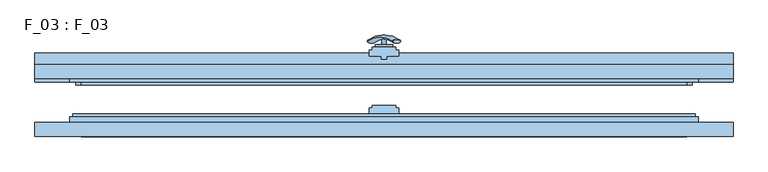
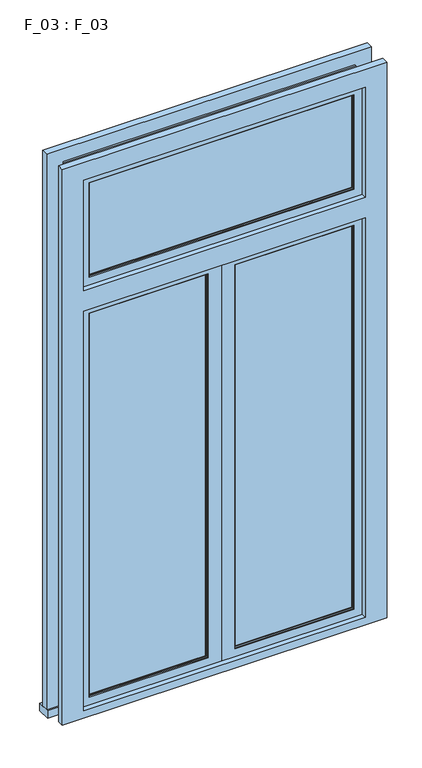
"""IFC4 building model written with IfcOpenShell, lengths in millimetres: window geometry, F_03 : F_03."""

from ifc_helpers import new_model, si_unit, point, frame, frame_2d, origin, place, context, project, spatial, polyline, circle_curve, ellipse_curve, trimmed, segment, composite_curve, outline, extrude, faceted_brep, source, transform, mapped, element, save
from ifc_brep_helpers import plane_surface, revolved_surface, advanced_brep


def f_03_f_03_1596fac0(model_context):
    return source(origin(), model_context, "Body", "SolidModel", [
        advanced_brep(
        [(-28.5497704, 90.2287724, 1613.0503471), (-14.693364, 90.2287724, 1605.0503471), (14.693364, 90.2287724, 1687.9496529), (28.5497704, 90.2287724, 1679.9496529)],
        [
            (0, 1, ellipse_curve(frame((-21.6215672, 90.2287724, 1609.0503471), z_axis=(-0.46984631039295827, -0.3420201433256777, -0.8137976813493676), x_axis=(0.8660254037844349, 0.0, -0.5000000000000066)), 8.0, 3.5)),
            (1, 0, ellipse_curve(frame((-21.6215672, 90.2287724, 1609.0503471), z_axis=(-0.46984631039295827, -0.3420201433256777, -0.8137976813493676), x_axis=(0.8660254037844349, 0.0, -0.5000000000000066)), 8.0, 3.5)),
            (2, 3, ellipse_curve(frame((21.6215672, 90.2287724, 1683.9496529), z_axis=(0.46984631039296154, -0.3420201433256599, 0.8137976813493732), x_axis=(0.8660254037844355, 0.0, -0.5000000000000056)), 8.0, 3.5)),
            (3, 2, ellipse_curve(frame((21.6215672, 90.2287724, 1683.9496529), z_axis=(0.46984631039296154, -0.3420201433256599, 0.8137976813493732), x_axis=(0.8660254037844355, 0.0, -0.5000000000000056)), 8.0, 3.5)),
            (2, 0, circle_curve(frame((-6.9282032, -28.580763, 1650.5), z_axis=(-0.8660254037844353, 0.0, 0.500000000000006), x_axis=(-0.1710100716628409, 0.9396926207859051, -0.29619813272603046)), 126.4344667)),
            (1, 3, circle_curve(frame((6.9282032, -28.580763, 1642.5), z_axis=(0.8660254037844353, 0.0, -0.500000000000006), x_axis=(-0.1710100716628409, 0.9396926207859051, -0.29619813272603046)), 126.4344667)),
        ],
        [
            plane_surface(frame((40.0926994, 87.5471681, 1574.5466142), z_axis=(-0.4698463103929582, -0.34202014332567776, -0.8137976813493677), x_axis=(-0.8660254037844352, 0.0, 0.500000000000006))),
            plane_surface(frame((82.3598097, 87.5471681, 1647.7553967), z_axis=(0.4698463103929615, -0.34202014332565983, 0.8137976813493734), x_axis=(-0.8660254037844352, 0.0, 0.500000000000006))),
            revolved_surface(trimmed(ellipse_curve(frame((-21.6215672, 90.2287724, 1609.0503471), z_axis=(0.46984631039295827, 0.3420201433256777, 0.8137976813493676), x_axis=(0.8660254037844349, 0.0, -0.5000000000000066)), 8.0, 3.5), [point((-28.5497704, 90.2287724, 1613.0503471))], [point((-14.693364, 90.2287724, 1605.0503471))], True, "CARTESIAN"), (61.2262546, -28.580763, 1611.1510055), (-0.8660254037844353, 0.0, 0.500000000000006)),
            revolved_surface(trimmed(ellipse_curve(frame((-21.6215672, 90.2287724, 1609.0503471), z_axis=(0.46984631039295827, 0.3420201433256777, 0.8137976813493676), x_axis=(0.8660254037844349, 0.0, -0.5000000000000066)), 8.0, 3.5), [point((-14.693364, 90.2287724, 1605.0503471))], [point((-28.5497704, 90.2287724, 1613.0503471))], True, "CARTESIAN"), (61.2262546, -28.580763, 1611.1510055), (-0.8660254037844353, 0.0, 0.500000000000006)),
        ],
        [
            (0, [[1, 2]]),
            (1, [[3, 4]]),
            (2, [[-3, 5, -2, 6]]),
            (3, [[-4, -6, -1, -5]]),
        ],
    ),
        extrude(outline(composite_curve([segment(trimmed(circle_curve(frame_2d((1646.5, 0.0)), 3.5), [point((1646.5, -3.5))], [point((1646.5, 3.5))], False, "CARTESIAN"), True, "CONTINUOUS"), segment(trimmed(circle_curve(frame_2d((1646.5, 0.0)), 3.5), [point((1646.5, 3.5))], [point((1646.5, -3.5))], False, "CARTESIAN"), True, "CONTINUOUS")], self_intersect=False)), frame((0.0, 85.0, 0.0), z_axis=(0.0, 1.0, 0.0), x_axis=(0.0, 0.0, 1.0)), (0.0, 0.0, 1.0), 10.0),
        extrude(outline(composite_curve([segment(polyline([(1710.8020109, -15.0), (1580.8020109, -15.0)]), True, "CONTINUOUS"), segment(trimmed(circle_curve(frame_2d((1580.8020109, 0.0)), 15.0), [point((1580.8020109, -15.0))], [point((1580.8020109, 15.0))], False, "CARTESIAN"), True, "CONTINUOUS"), segment(polyline([(1580.8020109, 15.0), (1710.8020109, 15.0)]), True, "CONTINUOUS"), segment(trimmed(circle_curve(frame_2d((1710.8020109, 0.0)), 15.0), [point((1710.8020109, 15.0))], [point((1710.8020109, -15.0))], False, "CARTESIAN"), True, "CONTINUOUS")], self_intersect=False)), frame((0.0, 80.0, 0.0), z_axis=(0.0, 1.0, 0.0), x_axis=(0.0, 0.0, 1.0)), (0.0, 0.0, 1.0), 5.0),
        extrude(outline(polyline([(485.0, -43.0), (485.0, -47.0), (-485.0, -47.0), (-485.0, -43.0), (485.0, -43.0)])), frame((0.0, 0.0, 2545.0), z_axis=(0.0, 0.0, 1.0), x_axis=(1.0, 0.0, 0.0)), (0.0, 0.0, 1.0), 360.0),
        faceted_brep([(-490.0, -50.0, 2910.0), (490.0, -50.0, 2910.0), (490.0, -55.0, 2910.0), (-490.0, -55.0, 2910.0), (490.0, -50.0, 2540.0), (490.0, -55.0, 2540.0), (520.0, -55.0, 2510.0), (520.0, -55.0, 2940.0), (-520.0, -55.0, 2940.0), (-520.0, -55.0, 2510.0), (-490.0, -55.0, 2540.0), (-490.0, -50.0, 2540.0), (485.0, -50.0, 2905.0), (485.0, -50.0, 2545.0), (-485.0, -50.0, 2545.0), (-485.0, -50.0, 2905.0), (-485.0, -40.0, 2905.0), (485.0, -40.0, 2905.0), (485.0, -40.0, 2545.0), (490.0, -40.0, 2910.0), (490.0, -40.0, 2540.0), (-490.0, -40.0, 2540.0), (-490.0, -40.0, 2910.0), (-485.0, -40.0, 2545.0), (-490.0, -35.0, 2910.0), (490.0, -35.0, 2910.0), (490.0, -35.0, 2540.0), (535.0, -35.0, 2955.0), (535.0, -35.0, 2495.0), (-535.0, -35.0, 2495.0), (-535.0, -35.0, 2955.0), (-490.0, -35.0, 2540.0), (-540.0, -50.0, 2960.0), (540.0, -50.0, 2960.0), (540.0, -40.0, 2960.0), (-540.0, -40.0, 2960.0), (540.0, -50.0, 2490.0), (540.0, -40.0, 2490.0), (-540.0, -40.0, 2490.0), (535.0, -40.0, 2495.0), (535.0, -40.0, 2955.0), (-535.0, -40.0, 2955.0), (-535.0, -40.0, 2495.0), (-540.0, -50.0, 2490.0), (520.0, -50.0, 2940.0), (520.0, -50.0, 2510.0), (-520.0, -50.0, 2510.0), (-520.0, -50.0, 2940.0)], [[[0, 1, 2, 3]], [[1, 4, 5, 2]], [[6, 7, 8, 9], [2, 5, 10, 3]], [[4, 1, 0, 11], [12, 13, 14, 15]], [[16, 17, 12, 15]], [[17, 18, 13, 12]], [[19, 20, 21, 22], [18, 17, 16, 23]], [[24, 25, 19, 22]], [[25, 26, 20, 19]], [[27, 28, 29, 30], [26, 25, 24, 31]], [[32, 33, 34, 35]], [[33, 36, 37, 34]], [[34, 37, 38, 35], [39, 40, 41, 42]], [[36, 33, 32, 43], [44, 45, 46, 47]], [[8, 7, 44, 47]], [[7, 6, 45, 44]], [[11, 0, 3, 10]], [[23, 16, 15, 14]], [[31, 24, 22, 21]], [[43, 32, 35, 38]], [[9, 8, 47, 46]], [[41, 40, 27, 30]], [[42, 41, 30, 29]], [[40, 39, 28, 27]], [[4, 11, 10, 5]], [[18, 23, 14, 13]], [[26, 31, 21, 20]], [[36, 43, 38, 37]], [[6, 9, 46, 45]], [[39, 42, 29, 28]]]),
        extrude(outline(polyline([(485.0, 27.0), (485.0, 23.0), (-485.0, 23.0), (-485.0, 27.0), (485.0, 27.0)])), frame((0.0, 0.0, 2545.0), z_axis=(0.0, 0.0, 1.0), x_axis=(1.0, 0.0, 0.0)), (0.0, 0.0, 1.0), 360.0),
        faceted_brep([(-490.0, 20.0, 2910.0), (490.0, 20.0, 2910.0), (490.0, 15.0, 2910.0), (-490.0, 15.0, 2910.0), (490.0, 20.0, 2540.0), (490.0, 15.0, 2540.0), (520.0, 15.0, 2510.0), (520.0, 15.0, 2940.0), (-520.0, 15.0, 2940.0), (-520.0, 15.0, 2510.0), (-490.0, 15.0, 2540.0), (-490.0, 20.0, 2540.0), (485.0, 20.0, 2905.0), (485.0, 20.0, 2545.0), (-485.0, 20.0, 2545.0), (-485.0, 20.0, 2905.0), (-485.0, 30.0, 2905.0), (485.0, 30.0, 2905.0), (485.0, 30.0, 2545.0), (490.0, 30.0, 2910.0), (490.0, 30.0, 2540.0), (-490.0, 30.0, 2540.0), (-490.0, 30.0, 2910.0), (-485.0, 30.0, 2545.0), (-490.0, 35.0, 2910.0), (490.0, 35.0, 2910.0), (490.0, 35.0, 2540.0), (535.0, 35.0, 2955.0), (535.0, 35.0, 2495.0), (-535.0, 35.0, 2495.0), (-535.0, 35.0, 2955.0), (-490.0, 35.0, 2540.0), (-540.0, 20.0, 2960.0), (540.0, 20.0, 2960.0), (540.0, 30.0, 2960.0), (-540.0, 30.0, 2960.0), (540.0, 20.0, 2490.0), (540.0, 30.0, 2490.0), (-540.0, 30.0, 2490.0), (535.0, 30.0, 2495.0), (535.0, 30.0, 2955.0), (-535.0, 30.0, 2955.0), (-535.0, 30.0, 2495.0), (-540.0, 20.0, 2490.0), (520.0, 20.0, 2940.0), (520.0, 20.0, 2510.0), (-520.0, 20.0, 2510.0), (-520.0, 20.0, 2940.0)], [[[0, 1, 2, 3]], [[1, 4, 5, 2]], [[6, 7, 8, 9], [2, 5, 10, 3]], [[4, 1, 0, 11], [12, 13, 14, 15]], [[16, 17, 12, 15]], [[17, 18, 13, 12]], [[19, 20, 21, 22], [18, 17, 16, 23]], [[24, 25, 19, 22]], [[25, 26, 20, 19]], [[27, 28, 29, 30], [26, 25, 24, 31]], [[32, 33, 34, 35]], [[33, 36, 37, 34]], [[34, 37, 38, 35], [39, 40, 41, 42]], [[36, 33, 32, 43], [44, 45, 46, 47]], [[8, 7, 44, 47]], [[7, 6, 45, 44]], [[11, 0, 3, 10]], [[23, 16, 15, 14]], [[31, 24, 22, 21]], [[43, 32, 35, 38]], [[9, 8, 47, 46]], [[41, 40, 27, 30]], [[42, 41, 30, 29]], [[40, 39, 28, 27]], [[4, 11, 10, 5]], [[18, 23, 14, 13]], [[26, 31, 21, 20]], [[36, 43, 38, 37]], [[6, 9, 46, 45]], [[39, 42, 29, 28]]]),
        extrude(outline(polyline([(600.0, 70.0), (600.0, 20.0), (-600.0, 20.0), (-600.0, 70.0), (600.0, 70.0)])), frame((0.0, 0.0, 810.0), z_axis=(0.0, 0.0, 1.0), x_axis=(1.0, 0.0, 0.0)), (0.0, 0.0, 1.0), 30.0),
        faceted_brep([(-600.0, 26.0, 840.0), (-530.0, 26.0, 840.0), (-530.0, 26.0, 810.0), (530.0, 26.0, 810.0), (530.0, 26.0, 840.0), (600.0, 26.0, 840.0), (600.0, 26.0, 3010.0), (-600.0, 26.0, 3010.0), (-520.0, 26.0, 2940.0), (520.0, 26.0, 2940.0), (520.0, 26.0, 2510.0), (-520.0, 26.0, 2510.0), (-520.0, 26.0, 2430.0), (520.0, 26.0, 2430.0), (520.0, 26.0, 870.0), (-520.0, 26.0, 870.0), (600.0, 50.0, 840.0), (600.0, 50.0, 3010.0), (530.0, 45.0, 840.0), (530.0, 50.0, 840.0), (530.0, 50.0, 810.0), (-530.0, 50.0, 810.0), (-530.0, 45.0, 840.0), (-530.0, 50.0, 840.0), (-520.0, 45.0, 870.0), (520.0, 45.0, 870.0), (520.0, 45.0, 2430.0), (520.0, 45.0, 2940.0), (520.0, 45.0, 2510.0), (530.0, 45.0, 2440.0), (530.0, 45.0, 860.0), (-530.0, 45.0, 860.0), (-530.0, 45.0, 2440.0), (-520.0, 45.0, 2430.0), (-530.0, 45.0, 2950.0), (530.0, 45.0, 2950.0), (530.0, 45.0, 2500.0), (-530.0, 45.0, 2500.0), (-520.0, 45.0, 2510.0), (-520.0, 45.0, 2940.0), (-530.0, 50.0, 860.0), (530.0, 50.0, 860.0), (530.0, 50.0, 2500.0), (530.0, 50.0, 2950.0), (530.0, 50.0, 2440.0), (-600.0, 50.0, 840.0), (-600.0, 50.0, 3010.0), (-530.0, 50.0, 2440.0), (-530.0, 50.0, 2950.0), (-530.0, 50.0, 2500.0)], [[[0, 1, 2, 3, 4, 5, 6, 7], [8, 9, 10, 11], [12, 13, 14, 15]], [[6, 5, 16, 17]], [[5, 4, 18, 19, 16]], [[20, 19, 18, 4, 3]], [[21, 20, 3, 2]], [[2, 1, 22, 23, 21]], [[24, 15, 14, 25]], [[26, 25, 14, 13]], [[9, 27, 28, 10]], [[29, 30, 31, 32], [33, 24, 25, 26]], [[34, 35, 36, 37], [38, 28, 27, 39]], [[40, 31, 30, 41]], [[42, 36, 35, 43]], [[44, 41, 30, 29]], [[45, 46, 17, 16, 19, 20, 21, 23], [44, 47, 40, 41], [48, 49, 42, 43]], [[23, 22, 1, 0, 45]], [[12, 15, 24, 33]], [[8, 11, 38, 39]], [[31, 40, 47, 32]], [[34, 37, 49, 48]], [[46, 45, 0, 7]], [[39, 27, 9, 8]], [[43, 35, 34, 48]], [[7, 6, 17, 46]], [[33, 26, 13, 12]], [[44, 29, 32, 47]], [[49, 37, 36, 42]], [[11, 10, 28, 38]]]),
        faceted_brep([(-0.5, -55.0, 850.0), (-10.0, -55.0, 850.0), (-10.0, -50.0, 850.0), (-540.0, -50.0, 850.0), (-540.0, -40.0, 850.0), (0.0, -40.0, 850.0), (0.0, -50.0, 850.0), (-0.5, -50.0, 850.0), (-0.5, -55.0, 2450.0), (-0.5, -50.0, 2450.0), (-530.0, -50.0, 860.0), (-530.0, -50.0, 2440.0), (-10.0, -50.0, 2440.0), (-10.0, -50.0, 2450.0), (-540.0, -50.0, 2450.0), (-10.0, -50.0, 860.0), (0.0, -50.0, 2450.0), (0.0, -40.0, 2450.0), (-540.0, -40.0, 2450.0), (-5.0, -40.0, 2445.0), (-535.0, -40.0, 2445.0), (-535.0, -40.0, 855.0), (-5.0, -40.0, 855.0), (-10.0, -55.0, 860.0), (-10.0, -55.0, 2440.0), (-10.0, -55.0, 2450.0), (-530.0, -55.0, 2440.0), (-530.0, -55.0, 860.0), (-50.0, -55.0, 900.0), (-490.0, -55.0, 900.0), (-490.0, -55.0, 2400.0), (-50.0, -55.0, 2400.0), (-50.0, -50.0, 2400.0), (-50.0, -50.0, 900.0), (-490.0, -50.0, 900.0), (-490.0, -50.0, 2400.0), (-55.0, -50.0, 905.0), (-485.0, -50.0, 905.0), (-485.0, -50.0, 2395.0), (-55.0, -50.0, 2395.0), (-55.0, -40.0, 2395.0), (-55.0, -40.0, 905.0), (-485.0, -40.0, 905.0), (-50.0, -40.0, 900.0), (-490.0, -40.0, 900.0), (-490.0, -40.0, 2400.0), (-50.0, -40.0, 2400.0), (-485.0, -40.0, 2395.0), (-50.0, -35.0, 2400.0), (-50.0, -35.0, 900.0), (-490.0, -35.0, 900.0), (-5.0, -35.0, 855.0), (-535.0, -35.0, 855.0), (-535.0, -35.0, 2445.0), (-5.0, -35.0, 2445.0), (-490.0, -35.0, 2400.0)], [[[0, 1, 2, 3, 4, 5, 6, 7]], [[8, 0, 7, 9]], [[10, 11, 12, 13, 14, 3, 2, 15]], [[16, 9, 7, 6]], [[16, 6, 5, 17]], [[5, 4, 18, 17], [19, 20, 21, 22]], [[3, 14, 18, 4]], [[1, 23, 15, 2]], [[13, 12, 24, 25]], [[25, 24, 26, 27, 23, 1, 0, 8], [28, 29, 30, 31]], [[15, 23, 27, 10]], [[27, 26, 11, 10]], [[32, 33, 28, 31]], [[34, 35, 30, 29]], [[33, 34, 29, 28]], [[32, 35, 34, 33], [36, 37, 38, 39]], [[40, 41, 36, 39]], [[41, 42, 37, 36]], [[43, 44, 45, 46], [40, 47, 42, 41]], [[48, 49, 43, 46]], [[49, 50, 44, 43]], [[51, 52, 53, 54], [48, 55, 50, 49]], [[19, 22, 51, 54]], [[22, 21, 52, 51]], [[42, 47, 38, 37]], [[50, 55, 45, 44]], [[21, 20, 53, 52]], [[8, 9, 16, 17, 18, 14, 13, 25]], [[31, 30, 35, 32]], [[39, 38, 47, 40]], [[46, 45, 55, 48]], [[54, 53, 20, 19]], [[26, 24, 12, 11]]]),
        faceted_brep([(0.5, -55.0, 850.0), (0.5, -50.0, 850.0), (0.0, -50.0, 850.0), (0.0, -40.0, 850.0), (540.0, -40.0, 850.0), (540.0, -50.0, 850.0), (10.0, -50.0, 850.0), (10.0, -55.0, 850.0), (0.5, -55.0, 2450.0), (10.0, -55.0, 860.0), (530.0, -55.0, 860.0), (530.0, -55.0, 2440.0), (10.0, -55.0, 2440.0), (10.0, -55.0, 2450.0), (50.0, -55.0, 2400.0), (490.0, -55.0, 2400.0), (490.0, -55.0, 900.0), (50.0, -55.0, 900.0), (10.0, -50.0, 860.0), (10.0, -50.0, 2440.0), (10.0, -50.0, 2450.0), (0.5, -50.0, 2450.0), (0.0, -50.0, 2450.0), (540.0, -50.0, 2450.0), (530.0, -50.0, 2440.0), (530.0, -50.0, 860.0), (540.0, -40.0, 2450.0), (0.0, -40.0, 2450.0), (5.0, -40.0, 855.0), (535.0, -40.0, 855.0), (535.0, -40.0, 2445.0), (5.0, -40.0, 2445.0), (50.0, -50.0, 900.0), (50.0, -50.0, 2400.0), (490.0, -50.0, 900.0), (490.0, -50.0, 2400.0), (55.0, -50.0, 2395.0), (485.0, -50.0, 2395.0), (485.0, -50.0, 905.0), (55.0, -50.0, 905.0), (55.0, -40.0, 905.0), (55.0, -40.0, 2395.0), (50.0, -40.0, 2400.0), (490.0, -40.0, 2400.0), (490.0, -40.0, 900.0), (50.0, -40.0, 900.0), (485.0, -40.0, 905.0), (485.0, -40.0, 2395.0), (50.0, -35.0, 900.0), (50.0, -35.0, 2400.0), (5.0, -35.0, 2445.0), (535.0, -35.0, 2445.0), (535.0, -35.0, 855.0), (5.0, -35.0, 855.0), (490.0, -35.0, 900.0), (490.0, -35.0, 2400.0)], [[[0, 1, 2, 3, 4, 5, 6, 7]], [[8, 0, 7, 9, 10, 11, 12, 13], [14, 15, 16, 17]], [[6, 18, 9, 7]], [[13, 12, 19, 20]], [[2, 1, 21, 22]], [[18, 6, 5, 23, 20, 19, 24, 25]], [[4, 26, 23, 5]], [[27, 26, 4, 3], [28, 29, 30, 31]], [[27, 3, 2, 22]], [[21, 1, 0, 8]], [[25, 24, 11, 10]], [[9, 18, 25, 10]], [[14, 17, 32, 33]], [[17, 16, 34, 32]], [[16, 15, 35, 34]], [[32, 34, 35, 33], [36, 37, 38, 39]], [[36, 39, 40, 41]], [[42, 43, 44, 45], [40, 46, 47, 41]], [[39, 38, 46, 40]], [[42, 45, 48, 49]], [[50, 51, 52, 53], [48, 54, 55, 49]], [[45, 44, 54, 48]], [[50, 53, 28, 31]], [[53, 52, 29, 28]], [[38, 37, 47, 46]], [[44, 43, 55, 54]], [[52, 51, 30, 29]], [[8, 13, 20, 23, 26, 27, 22, 21]], [[33, 35, 15, 14]], [[41, 47, 37, 36]], [[49, 55, 43, 42]], [[31, 30, 51, 50]], [[24, 19, 12, 11]]]),
        faceted_brep([(-600.0, -74.0, 840.0), (600.0, -74.0, 840.0), (600.0, -74.0, 3010.0), (-600.0, -74.0, 3010.0), (520.0, -74.0, 2430.0), (520.0, -74.0, 870.0), (-520.0, -74.0, 870.0), (-520.0, -74.0, 2430.0), (520.0, -74.0, 2940.0), (520.0, -74.0, 2510.0), (-520.0, -74.0, 2510.0), (-520.0, -74.0, 2940.0), (600.0, -50.0, 840.0), (600.0, -50.0, 3010.0), (-600.0, -50.0, 840.0), (520.0, -55.0, 870.0), (-520.0, -55.0, 870.0), (520.0, -55.0, 2430.0), (520.0, -55.0, 2940.0), (520.0, -55.0, 2510.0), (530.0, -55.0, 860.0), (-530.0, -55.0, 860.0), (-530.0, -55.0, 2440.0), (530.0, -55.0, 2440.0), (-520.0, -55.0, 2430.0), (530.0, -55.0, 2500.0), (-530.0, -55.0, 2500.0), (-530.0, -55.0, 2950.0), (530.0, -55.0, 2950.0), (-520.0, -55.0, 2940.0), (-520.0, -55.0, 2510.0), (-530.0, -50.0, 860.0), (530.0, -50.0, 860.0), (530.0, -50.0, 2440.0), (530.0, -50.0, 2500.0), (530.0, -50.0, 2950.0), (-600.0, -50.0, 3010.0), (-530.0, -50.0, 2440.0), (-530.0, -50.0, 2950.0), (-530.0, -50.0, 2500.0)], [[[0, 1, 2, 3], [4, 5, 6, 7], [8, 9, 10, 11]], [[2, 1, 12, 13]], [[0, 14, 12, 1]], [[15, 16, 6, 5]], [[17, 15, 5, 4]], [[8, 18, 19, 9]], [[20, 21, 22, 23], [17, 24, 16, 15]], [[25, 26, 27, 28], [18, 29, 30, 19]], [[31, 21, 20, 32]], [[33, 32, 20, 23]], [[34, 25, 28, 35]], [[36, 13, 12, 14], [32, 33, 37, 31], [34, 35, 38, 39]], [[6, 16, 24, 7]], [[10, 30, 29, 11]], [[38, 27, 26, 39]], [[37, 22, 21, 31]], [[0, 3, 36, 14]], [[8, 11, 29, 18]], [[27, 38, 35, 28]], [[2, 13, 36, 3]], [[4, 7, 24, 17]], [[22, 37, 33, 23]], [[34, 39, 26, 25]], [[19, 30, 10, 9]]]),
        extrude(outline(polyline([(-55.0, -43.0), (-55.0, -47.0), (-485.0, -47.0), (-485.0, -43.0), (-55.0, -43.0)])), frame((0.0, 0.0, 905.0), z_axis=(0.0, 0.0, 1.0), x_axis=(1.0, 0.0, 0.0)), (0.0, 0.0, 1.0), 1490.0),
        extrude(outline(polyline([(485.0, -43.0), (485.0, -47.0), (55.0, -47.0), (55.0, -43.0), (485.0, -43.0)])), frame((0.0, 0.0, 905.0), z_axis=(0.0, 0.0, 1.0), x_axis=(1.0, 0.0, 0.0)), (0.0, 0.0, 1.0), 1490.0),
        extrude(outline(polyline([(5.0, -40.0), (-5.0, -40.0), (-5.0, -35.0), (-25.0, -35.0), (-25.0, -25.0), (-20.0, -25.0), (-20.0, -20.0), (20.0, -20.0), (20.0, -25.0), (25.0, -25.0), (25.0, -35.0), (5.0, -35.0), (5.0, -40.0)])), frame((0.0, 0.0, 850.0), z_axis=(0.0, 0.0, 1.0), x_axis=(1.0, 0.0, 0.0)), (0.0, 0.0, 1.0), 1600.0),
        faceted_brep([(-50.0, 20.0, 2400.0), (-50.0, 20.0, 900.0), (-50.0, 15.0, 900.0), (-50.0, 15.0, 2400.0), (-10.0, 15.0, 2440.0), (-530.0, 15.0, 2440.0), (-530.0, 15.0, 860.0), (-10.0, 15.0, 860.0), (-490.0, 15.0, 900.0), (-490.0, 15.0, 2400.0), (-490.0, 20.0, 900.0), (-490.0, 20.0, 2400.0), (-55.0, 20.0, 905.0), (-485.0, 20.0, 905.0), (-485.0, 20.0, 2395.0), (-55.0, 20.0, 2395.0), (-55.0, 30.0, 2395.0), (-55.0, 30.0, 905.0), (-485.0, 30.0, 905.0), (-50.0, 30.0, 900.0), (-490.0, 30.0, 900.0), (-490.0, 30.0, 2400.0), (-50.0, 30.0, 2400.0), (-485.0, 30.0, 2395.0), (-50.0, 35.0, 2400.0), (-50.0, 35.0, 900.0), (-490.0, 35.0, 900.0), (-5.0, 35.0, 855.0), (-535.0, 35.0, 855.0), (-535.0, 35.0, 2445.0), (-5.0, 35.0, 2445.0), (-490.0, 35.0, 2400.0), (-5.0, 30.0, 2445.0), (-5.0, 30.0, 855.0), (-535.0, 30.0, 855.0), (0.0, 30.0, 850.0), (-540.0, 30.0, 850.0), (-540.0, 30.0, 2450.0), (0.0, 30.0, 2450.0), (-535.0, 30.0, 2445.0), (0.0, 20.0, 2450.0), (0.0, 20.0, 850.0), (-540.0, 20.0, 850.0), (-540.0, 20.0, 2450.0), (-10.0, 20.0, 860.0), (-530.0, 20.0, 860.0), (-530.0, 20.0, 2440.0), (-10.0, 20.0, 2440.0)], [[[0, 1, 2, 3]], [[4, 5, 6, 7], [2, 8, 9, 3]], [[1, 10, 8, 2]], [[0, 11, 10, 1], [12, 13, 14, 15]], [[16, 17, 12, 15]], [[17, 18, 13, 12]], [[19, 20, 21, 22], [16, 23, 18, 17]], [[24, 25, 19, 22]], [[25, 26, 20, 19]], [[27, 28, 29, 30], [24, 31, 26, 25]], [[32, 33, 27, 30]], [[33, 34, 28, 27]], [[35, 36, 37, 38], [32, 39, 34, 33]], [[40, 41, 35, 38]], [[41, 42, 36, 35]], [[40, 43, 42, 41], [44, 45, 46, 47]], [[10, 11, 9, 8]], [[18, 23, 14, 13]], [[26, 31, 21, 20]], [[34, 39, 29, 28]], [[42, 43, 37, 36]], [[7, 6, 45, 44]], [[6, 5, 46, 45]], [[3, 9, 11, 0]], [[15, 14, 23, 16]], [[22, 21, 31, 24]], [[30, 29, 39, 32]], [[38, 37, 43, 40]], [[47, 46, 5, 4]], [[4, 7, 44, 47]]]),
        faceted_brep([(-10.0, 50.0, 2450.0), (-10.0, 50.0, 850.0), (-10.0, 45.0, 850.0), (-10.0, 45.0, 2450.0), (-0.5, 45.0, 2450.0), (-0.5, 45.0, 850.0), (-0.5, 50.0, 850.0), (-0.5, 50.0, 2450.0)], [[[0, 1, 2, 3]], [[4, 5, 6, 7]], [[5, 2, 1, 6]], [[7, 6, 1, 0]], [[3, 2, 5, 4]], [[4, 7, 0, 3]]]),
        extrude(outline(polyline([(-55.0, 27.0), (-55.0, 23.0), (-485.0, 23.0), (-485.0, 27.0), (-55.0, 27.0)])), frame((0.0, 0.0, 905.0), z_axis=(0.0, 0.0, 1.0), x_axis=(1.0, 0.0, 0.0)), (0.0, 0.0, 1.0), 1490.0),
        extrude(outline(polyline([(485.0, 27.0), (485.0, 23.0), (55.0, 23.0), (55.0, 27.0), (485.0, 27.0)])), frame((0.0, 0.0, 905.0), z_axis=(0.0, 0.0, 1.0), x_axis=(1.0, 0.0, 0.0)), (0.0, 0.0, 1.0), 1490.0),
        faceted_brep([(5.0, 60.0, 850.0), (-5.0, 60.0, 850.0), (-5.0, 65.0, 850.0), (-25.0, 65.0, 850.0), (-25.0, 75.0, 850.0), (-20.0, 75.0, 850.0), (-20.0, 80.0, 850.0), (20.0, 80.0, 850.0), (20.0, 75.0, 850.0), (25.0, 75.0, 850.0), (25.0, 65.0, 850.0), (5.0, 65.0, 850.0), (5.0, 60.0, 2450.0), (5.0, 65.0, 2450.0), (25.0, 65.0, 2450.0), (25.0, 75.0, 2450.0), (20.0, 75.0, 2450.0), (20.0, 80.0, 2450.0), (-20.0, 80.0, 2450.0), (-20.0, 75.0, 2450.0), (-25.0, 75.0, 2450.0), (-25.0, 65.0, 2450.0), (-5.0, 65.0, 2450.0), (-5.0, 60.0, 2450.0)], [[[0, 1, 2, 3, 4, 5, 6, 7, 8, 9, 10, 11]], [[12, 0, 11, 13]], [[13, 11, 10, 14]], [[14, 10, 9, 15]], [[15, 9, 8, 16]], [[16, 8, 7, 17]], [[17, 7, 6, 18]], [[18, 6, 5, 19]], [[19, 5, 4, 20]], [[20, 4, 3, 21]], [[21, 3, 2, 22]], [[22, 2, 1, 23]], [[23, 1, 0, 12]], [[12, 13, 14, 15, 16, 17, 18, 19, 20, 21, 22, 23]]]),
        faceted_brep([(0.0, 30.0, 2450.0), (0.0, 30.0, 850.0), (0.0, 20.0, 850.0), (0.0, 20.0, 2450.0), (540.0, 20.0, 850.0), (540.0, 20.0, 2450.0), (10.0, 20.0, 2440.0), (530.0, 20.0, 2440.0), (530.0, 20.0, 860.0), (10.0, 20.0, 860.0), (10.0, 15.0, 860.0), (530.0, 15.0, 860.0), (530.0, 15.0, 2440.0), (10.0, 15.0, 2440.0), (50.0, 15.0, 2400.0), (490.0, 15.0, 2400.0), (490.0, 15.0, 900.0), (50.0, 15.0, 900.0), (540.0, 30.0, 850.0), (540.0, 30.0, 2450.0), (5.0, 30.0, 855.0), (535.0, 30.0, 855.0), (535.0, 30.0, 2445.0), (5.0, 30.0, 2445.0), (5.0, 35.0, 2445.0), (535.0, 35.0, 2445.0), (535.0, 35.0, 855.0), (5.0, 35.0, 855.0), (50.0, 35.0, 900.0), (490.0, 35.0, 900.0), (490.0, 35.0, 2400.0), (50.0, 35.0, 2400.0), (50.0, 20.0, 900.0), (50.0, 20.0, 2400.0), (490.0, 20.0, 900.0), (490.0, 20.0, 2400.0), (55.0, 20.0, 2395.0), (485.0, 20.0, 2395.0), (485.0, 20.0, 905.0), (55.0, 20.0, 905.0), (55.0, 30.0, 905.0), (55.0, 30.0, 2395.0), (50.0, 30.0, 2400.0), (490.0, 30.0, 2400.0), (490.0, 30.0, 900.0), (50.0, 30.0, 900.0), (485.0, 30.0, 905.0), (485.0, 30.0, 2395.0)], [[[0, 1, 2, 3]], [[2, 4, 5, 3], [6, 7, 8, 9]], [[10, 11, 12, 13], [14, 15, 16, 17]], [[18, 19, 5, 4]], [[0, 19, 18, 1], [20, 21, 22, 23]], [[24, 25, 26, 27], [28, 29, 30, 31]], [[27, 26, 21, 20]], [[14, 17, 32, 33]], [[32, 34, 35, 33], [36, 37, 38, 39]], [[17, 16, 34, 32]], [[36, 39, 40, 41]], [[42, 43, 44, 45], [40, 46, 47, 41]], [[39, 38, 46, 40]], [[42, 45, 28, 31]], [[45, 44, 29, 28]], [[16, 15, 35, 34]], [[38, 37, 47, 46]], [[44, 43, 30, 29]], [[26, 25, 22, 21]], [[9, 8, 11, 10]], [[8, 7, 12, 11]], [[33, 35, 15, 14]], [[41, 47, 37, 36]], [[31, 30, 43, 42]], [[23, 22, 25, 24]], [[13, 12, 7, 6]], [[24, 27, 20, 23]], [[1, 18, 4, 2]], [[6, 9, 10, 13]], [[3, 5, 19, 0]]]),
        faceted_brep([(0.5, 50.0, 2450.0), (0.5, 50.0, 850.0), (0.5, 45.0, 850.0), (0.5, 45.0, 2450.0), (10.0, 45.0, 2450.0), (10.0, 45.0, 850.0), (10.0, 50.0, 850.0), (10.0, 50.0, 2450.0)], [[[0, 1, 2, 3]], [[4, 5, 6, 7]], [[2, 1, 6, 5]], [[3, 2, 5, 4]], [[7, 6, 1, 0]], [[3, 4, 7, 0]]]),
    ])


if __name__ == "__main__":
    model = new_model("IFC4")
    model_context = context("Model", 3, world=origin())
    ifc_project = project(units=[si_unit("LENGTHUNIT", "METRE", prefix="MILLI")], contexts=[model_context])
    site = spatial("IfcSite", under=ifc_project)
    building = spatial("IfcBuilding", under=site)
    placement = place(None, origin())
    f_03_f_03_shape = f_03_f_03_1596fac0(model_context)
    element("IfcWindow", 1, ObjectType="F_03 : F_03", at=placement, inside=building, context=model_context, shape_type="MappedRepresentation", body=[
        mapped(f_03_f_03_shape, transform((0.0, 0.0, 0.0), x_axis=(1.0, 0.0, 0.0), y_axis=(0.0, 1.0, 0.0), z_axis=(0.0, 0.0, 1.0))),
    ])
    save(model, "model.ifc")
